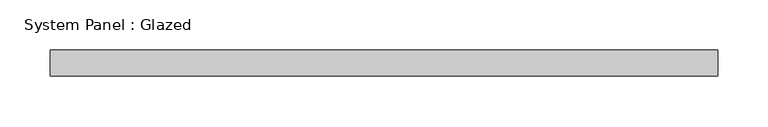
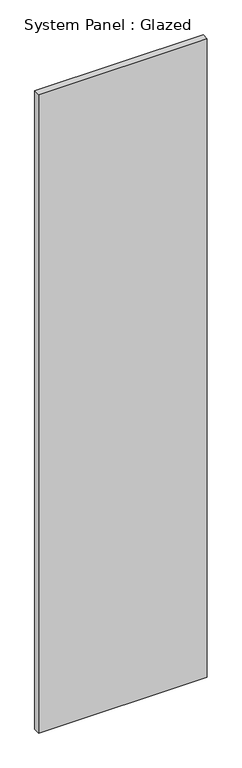
"""IFC4 building model written with IfcOpenShell, lengths in millimetres: plate geometry, System Panel : Glazed."""

from ifc_helpers import new_model, si_unit, origin, origin_with_axes, place, context, project, spatial, polyline, outline, extrude, source, transform, mapped, element, save


def system_panel_glazed_d1d99e73(model_context):
    return source(origin(), model_context, "Body", "SweptSolid", [
        extrude(outline(polyline([(330.2, 19.05), (-330.2, 19.05), (-330.2, 44.45), (330.2, 44.45), (330.2, 19.05)])), origin_with_axes(), (0.0, 0.0, 1.0), 2641.6),
    ])


if __name__ == "__main__":
    model = new_model("IFC4")
    model_context = context("Model", 3, world=origin())
    ifc_project = project(units=[si_unit("LENGTHUNIT", "METRE", prefix="MILLI")], contexts=[model_context])
    site = spatial("IfcSite", under=ifc_project)
    building = spatial("IfcBuilding", under=site)
    placement = place(None, origin())
    system_panel_glazed_shape = system_panel_glazed_d1d99e73(model_context)
    element("IfcPlate", 1, ObjectType="System Panel : Glazed", at=placement, inside=building, context=model_context, shape_type="MappedRepresentation", body=[
        mapped(system_panel_glazed_shape, transform((0.0, 0.0, 0.0), x_axis=(1.0, 0.0, 0.0), y_axis=(0.0, 1.0, 0.0), z_axis=(0.0, 0.0, 1.0))),
    ])
    save(model, "model.ifc")
